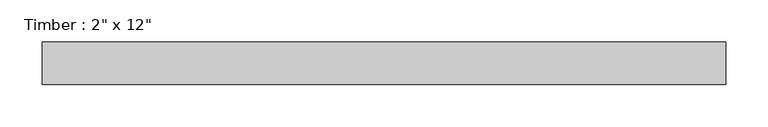
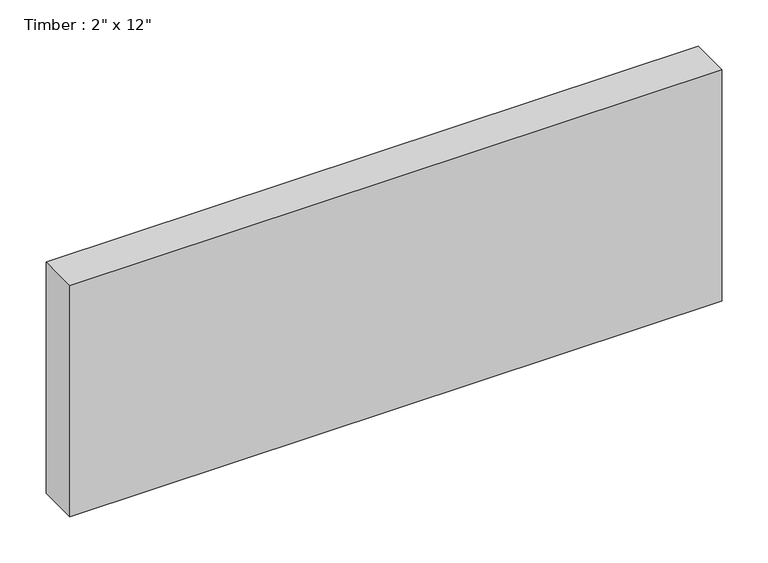
"""IFC4 building model written with IfcOpenShell, lengths in millimetres: beam geometry."""

from ifc_helpers import new_model, si_unit, frame, origin, place, context, project, spatial, polyline, outline, extrude, source, transform, mapped, element, save


def beam_c297a487(model_context):
    return source(origin(), model_context, "Body", "SweptSolid", [
        extrude(outline(polyline([(418.4646433, 25.4), (418.4646433, -25.4), (-393.0646433, -25.4), (-393.0646433, 25.4), (418.4646433, 25.4)])), frame((0.0, 0.0, -152.4), z_axis=(0.0, 0.0, 1.0), x_axis=(1.0, 0.0, 0.0)), (0.0, 0.0, 1.0), 304.8),
    ])


if __name__ == "__main__":
    model = new_model("IFC4")
    model_context = context("Model", 3, world=origin())
    ifc_project = project(units=[si_unit("LENGTHUNIT", "METRE", prefix="MILLI")], contexts=[model_context])
    site = spatial("IfcSite", under=ifc_project)
    building = spatial("IfcBuilding", under=site)
    placement = place(None, origin())
    beam_shape = beam_c297a487(model_context)
    element("IfcBeam", 1, ObjectType="Timber : 2\" x 12\"", at=placement, inside=building, context=model_context, shape_type="MappedRepresentation", body=[
        mapped(beam_shape, transform((0.0, 0.0, 0.0), x_axis=(1.0, 0.0, 0.0), y_axis=(0.0, 1.0, 0.0), z_axis=(0.0, 0.0, 1.0))),
    ])
    save(model, "model.ifc")
